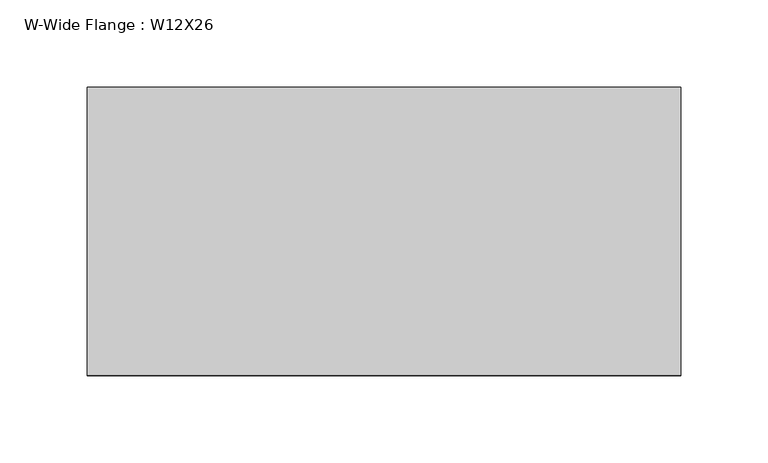
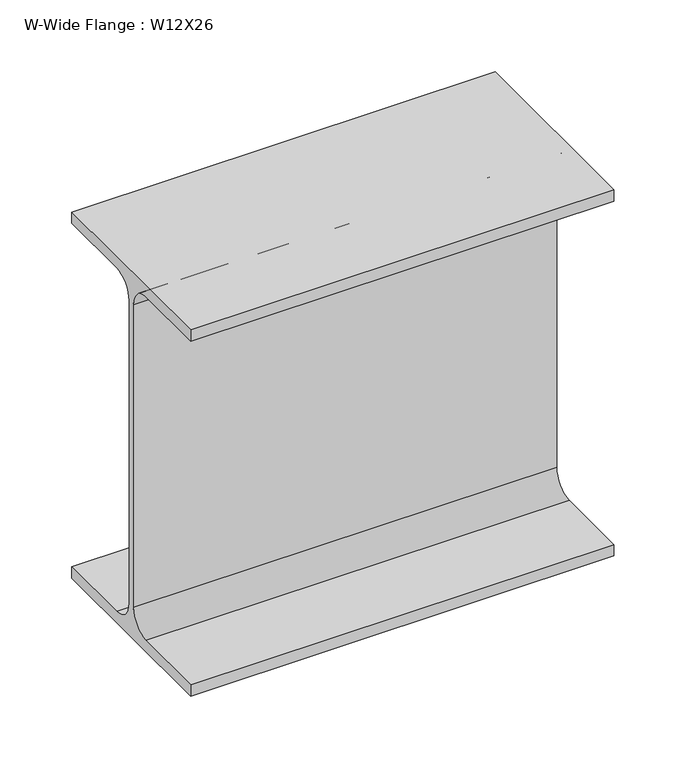
"""IFC4 building model written with IfcOpenShell, lengths in millimetres: beam geometry, W-Wide Flange : W12X26."""

from ifc_helpers import new_model, si_unit, point, frame, frame_2d, origin, place, context, project, spatial, polyline, circle_curve, trimmed, segment, composite_curve, outline, extrude, source, transform, mapped, element, save


def w_wide_flange_w12x26_5ffdf281(model_context):
    return source(origin(), model_context, "Body", "SweptSolid", [
        extrude(outline(composite_curve([segment(polyline([(82.4011719, -145.5539063), (82.4011719, -155.178125), (-82.4011719, -155.178125), (-82.4011719, -145.5539063), (-20.2902344, -145.5539063)]), True, "CONTINUOUS"), segment(trimmed(circle_curve(frame_2d((-20.2902344, -128.190625)), 17.3632812), [point((-20.2902344, -145.5539063))], [point((-2.9269531, -128.190625))], True, "CARTESIAN"), True, "CONTINUOUS"), segment(polyline([(-2.9269531, -128.190625), (-2.9269531, 128.190625)]), True, "CONTINUOUS"), segment(trimmed(circle_curve(frame_2d((-20.2902344, 128.190625)), 17.3632812), [point((-2.9269531, 128.190625))], [point((-20.2902344, 145.5539062))], True, "CARTESIAN"), True, "CONTINUOUS"), segment(polyline([(-20.2902344, 145.5539062), (-82.4011719, 145.5539062), (-82.4011719, 155.178125), (82.4011719, 155.178125), (82.4011719, 145.5539062), (20.2902344, 145.5539062)]), True, "CONTINUOUS"), segment(trimmed(circle_curve(frame_2d((20.2902344, 128.190625)), 17.3632812), [point((20.2902344, 145.5539062))], [point((2.9269531, 128.190625))], True, "CARTESIAN"), True, "CONTINUOUS"), segment(polyline([(2.9269531, 128.190625), (2.9269531, -128.190625)]), True, "CONTINUOUS"), segment(trimmed(circle_curve(frame_2d((20.2902344, -128.190625)), 17.3632812), [point((2.9269531, -128.190625))], [point((20.2902344, -145.5539063))], True, "CARTESIAN"), True, "CONTINUOUS"), segment(polyline([(20.2902344, -145.5539063), (82.4011719, -145.5539063)]), True, "CONTINUOUS")], self_intersect=False)), frame((-217.6667673, 0.0, 0.0), z_axis=(1.0, 0.0, 0.0), x_axis=(0.0, 1.0, 0.0)), (0.0, 0.0, 1.0), 339.4281791),
    ])


if __name__ == "__main__":
    model = new_model("IFC4")
    model_context = context("Model", 3, world=origin())
    ifc_project = project(units=[si_unit("LENGTHUNIT", "METRE", prefix="MILLI")], contexts=[model_context])
    site = spatial("IfcSite", under=ifc_project)
    building = spatial("IfcBuilding", under=site)
    placement = place(None, origin())
    w_wide_flange_w12x26_shape = w_wide_flange_w12x26_5ffdf281(model_context)
    element("IfcBeam", 1, ObjectType="W-Wide Flange : W12X26", at=placement, inside=building, context=model_context, shape_type="MappedRepresentation", body=[
        mapped(w_wide_flange_w12x26_shape, transform((0.0, 0.0, 0.0), x_axis=(1.0, 0.0, 0.0), y_axis=(0.0, 1.0, 0.0), z_axis=(0.0, 0.0, 1.0))),
    ])
    save(model, "model.ifc")
